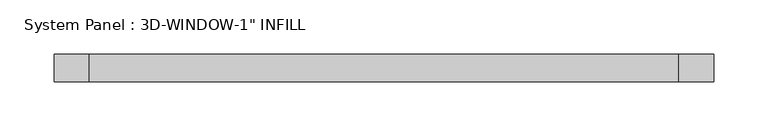
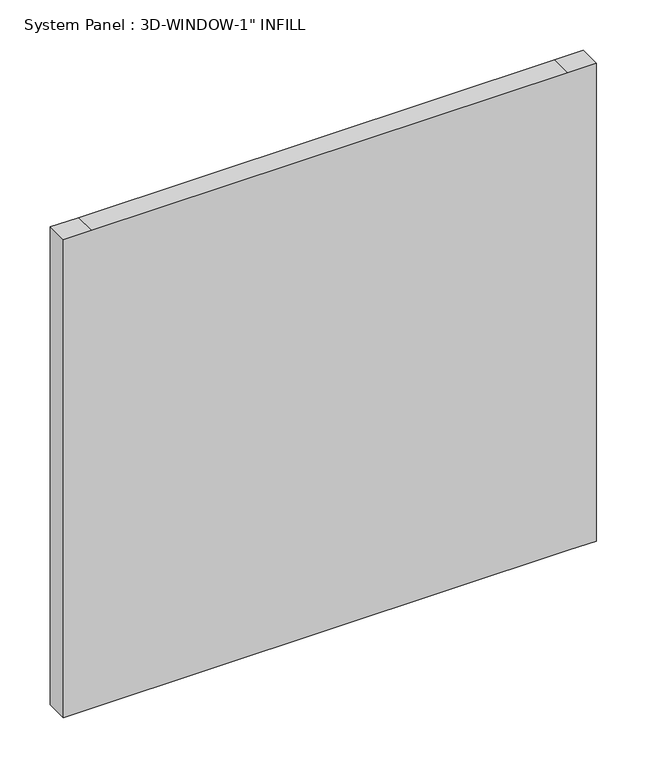
"""IFC4 building model written with IfcOpenShell, lengths in millimetres: plate geometry."""

from ifc_helpers import new_model, si_unit, frame, origin, place, context, project, spatial, polyline, outline, extrude, source, transform, mapped, element, save


def plate_a07d315e(model_context):
    return source(origin(), model_context, "Body", "SweptSolid", [
        extrude(outline(polyline([(0.0, -304.8), (0.0, -272.3446529), (0.0, 272.25625), (0.0, 304.8), (577.85, 304.8), (577.85, 272.25625), (577.85, -272.3446529), (577.85, -304.8), (0.0, -304.8)])), frame((0.0, -71.6359375, 0.0), z_axis=(0.0, 1.0, 0.0), x_axis=(0.0, 0.0, 1.0)), (0.0, 0.0, 1.0), 25.4),
    ])


if __name__ == "__main__":
    model = new_model("IFC4")
    model_context = context("Model", 3, world=origin())
    ifc_project = project(units=[si_unit("LENGTHUNIT", "METRE", prefix="MILLI")], contexts=[model_context])
    site = spatial("IfcSite", under=ifc_project)
    building = spatial("IfcBuilding", under=site)
    placement = place(None, origin())
    plate_shape = plate_a07d315e(model_context)
    element("IfcPlate", 1, ObjectType="System Panel : 3D-WINDOW-1\" INFILL", at=placement, inside=building, context=model_context, shape_type="MappedRepresentation", body=[
        mapped(plate_shape, transform((0.0, 0.0, 0.0), x_axis=(1.0, 0.0, 0.0), y_axis=(0.0, 1.0, 0.0), z_axis=(0.0, 0.0, 1.0))),
    ])
    save(model, "model.ifc")
